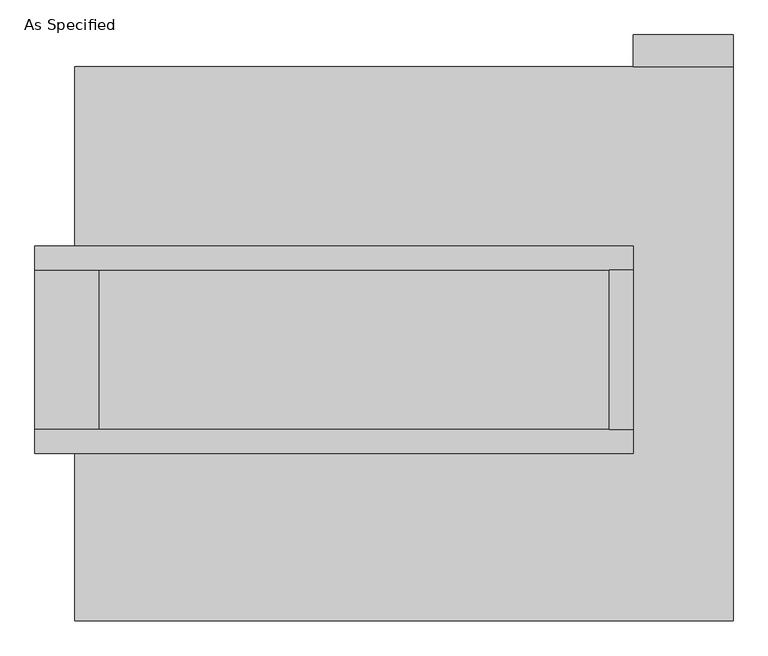
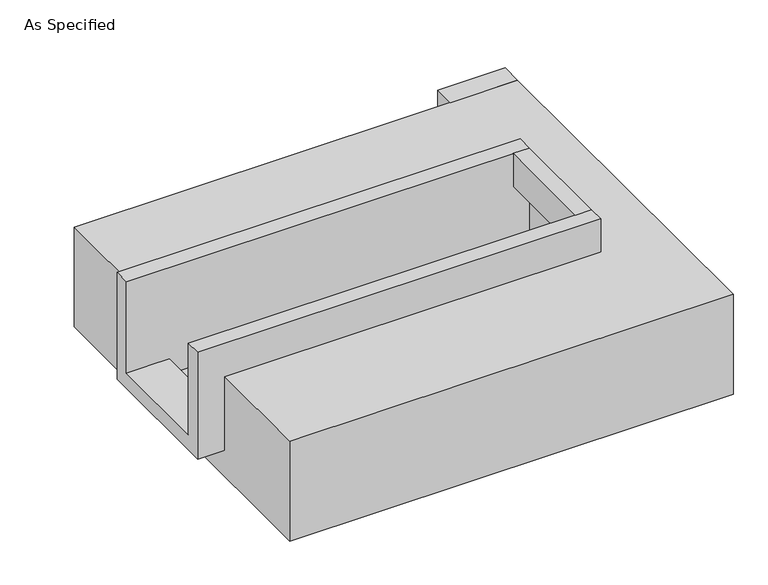
"""IFC4 building model written with IfcOpenShell, lengths in millimetres: proxy geometry, As Specified."""

from ifc_helpers import new_model, si_unit, frame, origin, place, context, project, spatial, polyline, outline, extrude, faceted_brep, source, transform, mapped, element, save


def as_specified_7437d6bd(model_context):
    return source(origin(), model_context, "Body", "SolidModel", [
        extrude(outline(polyline([(1123.95, 882.65), (806.45, 882.65), (806.45, 984.25), (1123.95, 984.25), (1123.95, 882.65)])), frame((0.0, 0.0, -523.9742188), z_axis=(0.0, 0.0, 1.0), x_axis=(1.0, 0.0, 0.0)), (0.0, 0.0, 1.0), 498.5742188),
        extrude(outline(polyline([(730.25, 234.95), (806.45, 234.95), (806.45, -273.05), (730.25, -273.05), (730.25, 234.95)])), frame((0.0, 0.0, -25.4), z_axis=(0.0, 0.0, 1.0), x_axis=(1.0, 0.0, 0.0)), (0.0, 0.0, 1.0), 165.1),
        faceted_brep([(806.45, 234.95, 139.7), (806.45, 234.95, -317.5), (806.45, -273.05, -317.5), (806.45, -273.05, 139.7), (806.45, -349.25, 139.7), (806.45, -349.25, -393.7), (806.45, 311.15, -393.7), (806.45, 311.15, 139.7), (-1098.55, 234.95, 139.7), (-1098.55, 311.15, 139.7), (-1098.55, 311.15, -393.7), (-1098.55, -349.25, -393.7), (-1098.55, -349.25, 139.7), (-1098.55, -273.05, 139.7), (-1098.55, -273.05, -317.5), (-1098.55, 234.95, -317.5), (-895.35, 234.95, -393.7), (-895.35, -273.05, -393.7), (730.25, -273.05, -393.7), (730.25, 234.95, -393.7), (730.25, -273.05, -317.5), (-895.35, -273.05, -317.5), (730.25, 234.95, -317.5), (-895.35, 234.95, -317.5)], [[[0, 1, 2, 3, 4, 5, 6, 7]], [[8, 9, 10, 11, 12, 13, 14, 15]], [[0, 7, 9, 8]], [[7, 6, 10, 9]], [[6, 5, 11, 10], [16, 17, 18, 19]], [[4, 3, 13, 12]], [[3, 2, 20, 18, 17, 21, 14, 13]], [[2, 1, 22, 20]], [[15, 14, 21, 23]], [[1, 0, 8, 15, 23, 16, 19, 22]], [[21, 17, 16, 23]], [[18, 20, 22, 19]], [[5, 4, 12, 11]]]),
        faceted_brep([(1123.95, 882.65, -523.9742188), (1123.95, -882.65, -523.9742188), (-971.55, -882.65, -523.9742188), (-971.55, 882.65, -523.9742188), (-971.55, 882.65, -25.4), (-971.55, 311.15, -25.4), (806.45, 311.15, -25.4), (806.45, -349.25, -25.4), (-971.55, -349.25, -25.4), (-971.55, -882.65, -25.4), (1123.95, -882.65, -25.4), (1123.95, 882.65, -25.4), (-971.55, -349.25, -393.7), (-971.55, 311.15, -393.7), (806.45, 311.15, -393.7), (806.45, -349.25, -393.7)], [[[0, 1, 2, 3]], [[4, 5, 6, 7, 8, 9, 10, 11]], [[0, 3, 4, 11]], [[4, 3, 2, 9, 8, 12, 13, 5]], [[2, 1, 10, 9]], [[14, 15, 7, 6]], [[13, 14, 6, 5]], [[15, 14, 13, 12]], [[15, 12, 8, 7]], [[1, 0, 11, 10]]]),
    ])


if __name__ == "__main__":
    model = new_model("IFC4")
    model_context = context("Model", 3, world=origin())
    ifc_project = project(units=[si_unit("LENGTHUNIT", "METRE", prefix="MILLI")], contexts=[model_context])
    site = spatial("IfcSite", under=ifc_project)
    building = spatial("IfcBuilding", under=site)
    placement = place(None, origin())
    as_specified_shape = as_specified_7437d6bd(model_context)
    element("IfcBuildingElementProxy", 1, Name="As Specified", ObjectType="As Specified", at=placement, inside=building, context=model_context, shape_type="MappedRepresentation", body=[
        mapped(as_specified_shape, transform((0.0, 0.0, 0.0), x_axis=(1.0, 0.0, 0.0), y_axis=(0.0, 1.0, 0.0), z_axis=(0.0, 0.0, 1.0))),
    ])
    save(model, "model.ifc")
